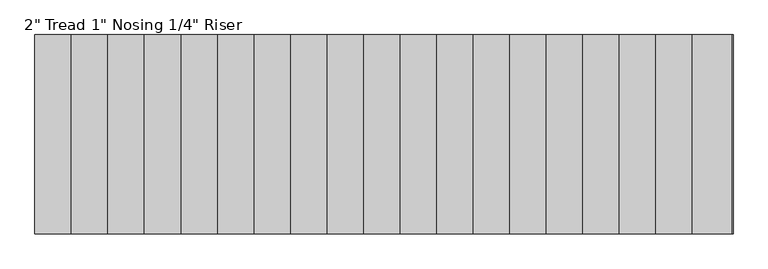
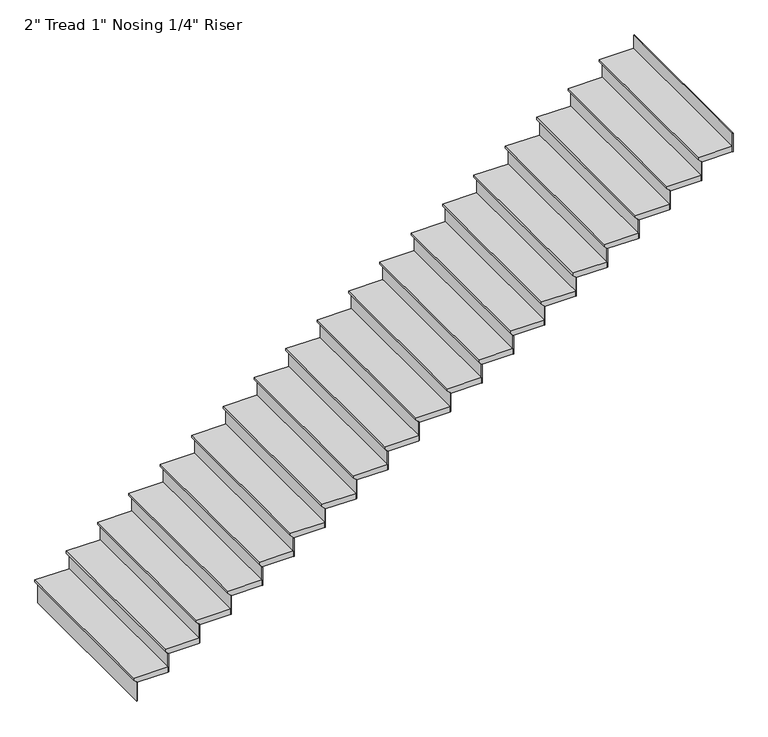
"""IFC4 building model written with IfcOpenShell, lengths in millimetres: stair flight geometry."""

from ifc_helpers import new_model, si_unit, frame, origin, place, context, project, spatial, polyline, outline, extrude, source, transform, mapped, element, save


def stair_flight_59a90187(model_context):
    return source(origin(), model_context, "Body", "SweptSolid", [
        extrude(outline(polyline([(-9415.3463415, 36533.5222188), (-9415.3463415, 36228.7222188), (-9434.3963415, 36228.7222188), (-9459.7963415, 36254.1222188), (-9466.1463415, 36254.1222188), (-9466.1463415, 36533.5222188), (-9415.3463415, 36533.5222188)])), frame((0.0, -13326.4219315, 0.0), z_axis=(0.0, 1.0, 0.0), x_axis=(0.0, 0.0, 1.0)), (0.0, 0.0, 1.0), 1524.0),
        extrude(outline(polyline([(36260.4722188, -13326.4219315), (36254.1222188, -13326.4219315), (36254.1222188, -11802.4219315), (36260.4722188, -11802.4219315), (36260.4722188, -13326.4219315)])), frame((0.0, 0.0, -9640.8487805), z_axis=(0.0, 0.0, 1.0), x_axis=(1.0, 0.0, 0.0)), (0.0, 0.0, 1.0), 174.702439),
        extrude(outline(polyline([(36539.8722188, -13326.4219315), (36533.5222188, -13326.4219315), (36533.5222188, -11802.4219315), (36539.8722188, -11802.4219315), (36539.8722188, -13326.4219315)])), frame((0.0, 0.0, -9466.1463415), z_axis=(0.0, 0.0, 1.0), x_axis=(1.0, 0.0, 0.0)), (0.0, 0.0, 1.0), 174.702439),
        extrude(outline(polyline([(-9240.6439024, 36812.9222188), (-9240.6439024, 36508.1222188), (-9259.6939024, 36508.1222188), (-9285.0939024, 36533.5222188), (-9291.4439024, 36533.5222188), (-9291.4439024, 36812.9222188), (-9240.6439024, 36812.9222188)])), frame((0.0, -13326.4219315, 0.0), z_axis=(0.0, 1.0, 0.0), x_axis=(0.0, 0.0, 1.0)), (0.0, 0.0, 1.0), 1524.0),
        extrude(outline(polyline([(36819.2722188, -13326.4219315), (36812.9222188, -13326.4219315), (36812.9222188, -11802.4219315), (36819.2722188, -11802.4219315), (36819.2722188, -13326.4219315)])), frame((0.0, 0.0, -9291.4439024), z_axis=(0.0, 0.0, 1.0), x_axis=(1.0, 0.0, 0.0)), (0.0, 0.0, 1.0), 174.702439),
        extrude(outline(polyline([(-9065.9414634, 37092.3222188), (-9065.9414634, 36787.5222188), (-9084.9914634, 36787.5222188), (-9110.3914634, 36812.9222188), (-9116.7414634, 36812.9222188), (-9116.7414634, 37092.3222188), (-9065.9414634, 37092.3222188)])), frame((0.0, -13326.4219315, 0.0), z_axis=(0.0, 1.0, 0.0), x_axis=(0.0, 0.0, 1.0)), (0.0, 0.0, 1.0), 1524.0),
        extrude(outline(polyline([(37098.6722188, -13326.4219315), (37092.3222188, -13326.4219315), (37092.3222188, -11802.4219315), (37098.6722188, -11802.4219315), (37098.6722188, -13326.4219315)])), frame((0.0, 0.0, -9116.7414634), z_axis=(0.0, 0.0, 1.0), x_axis=(1.0, 0.0, 0.0)), (0.0, 0.0, 1.0), 174.702439),
        extrude(outline(polyline([(-8891.2390244, 37371.7222188), (-8891.2390244, 37066.9222188), (-8910.2890244, 37066.9222188), (-8935.6890244, 37092.3222188), (-8942.0390244, 37092.3222188), (-8942.0390244, 37371.7222188), (-8891.2390244, 37371.7222188)])), frame((0.0, -13326.4219315, 0.0), z_axis=(0.0, 1.0, 0.0), x_axis=(0.0, 0.0, 1.0)), (0.0, 0.0, 1.0), 1524.0),
        extrude(outline(polyline([(37378.0722188, -13326.4219315), (37371.7222188, -13326.4219315), (37371.7222188, -11802.4219315), (37378.0722188, -11802.4219315), (37378.0722188, -13326.4219315)])), frame((0.0, 0.0, -8942.0390244), z_axis=(0.0, 0.0, 1.0), x_axis=(1.0, 0.0, 0.0)), (0.0, 0.0, 1.0), 174.702439),
        extrude(outline(polyline([(-8716.5365854, 37651.1222188), (-8716.5365854, 37346.3222188), (-8735.5865854, 37346.3222188), (-8760.9865854, 37371.7222188), (-8767.3365854, 37371.7222188), (-8767.3365854, 37651.1222188), (-8716.5365854, 37651.1222188)])), frame((0.0, -13326.4219315, 0.0), z_axis=(0.0, 1.0, 0.0), x_axis=(0.0, 0.0, 1.0)), (0.0, 0.0, 1.0), 1524.0),
        extrude(outline(polyline([(37657.4722188, -13326.4219315), (37651.1222188, -13326.4219315), (37651.1222188, -11802.4219315), (37657.4722188, -11802.4219315), (37657.4722188, -13326.4219315)])), frame((0.0, 0.0, -8767.3365854), z_axis=(0.0, 0.0, 1.0), x_axis=(1.0, 0.0, 0.0)), (0.0, 0.0, 1.0), 174.702439),
        extrude(outline(polyline([(-8541.8341463, 37930.5222188), (-8541.8341463, 37625.7222188), (-8560.8841463, 37625.7222188), (-8586.2841463, 37651.1222188), (-8592.6341463, 37651.1222188), (-8592.6341463, 37930.5222188), (-8541.8341463, 37930.5222188)])), frame((0.0, -13326.4219315, 0.0), z_axis=(0.0, 1.0, 0.0), x_axis=(0.0, 0.0, 1.0)), (0.0, 0.0, 1.0), 1524.0),
        extrude(outline(polyline([(37936.8722188, -13326.4219315), (37930.5222188, -13326.4219315), (37930.5222188, -11802.4219315), (37936.8722188, -11802.4219315), (37936.8722188, -13326.4219315)])), frame((0.0, 0.0, -8592.6341463), z_axis=(0.0, 0.0, 1.0), x_axis=(1.0, 0.0, 0.0)), (0.0, 0.0, 1.0), 174.702439),
        extrude(outline(polyline([(-8367.1317073, 38209.9222188), (-8367.1317073, 37905.1222188), (-8386.1817073, 37905.1222188), (-8411.5817073, 37930.5222188), (-8417.9317073, 37930.5222188), (-8417.9317073, 38209.9222188), (-8367.1317073, 38209.9222188)])), frame((0.0, -13326.4219315, 0.0), z_axis=(0.0, 1.0, 0.0), x_axis=(0.0, 0.0, 1.0)), (0.0, 0.0, 1.0), 1524.0),
        extrude(outline(polyline([(38216.2722188, -13326.4219315), (38209.9222188, -13326.4219315), (38209.9222188, -11802.4219315), (38216.2722188, -11802.4219315), (38216.2722188, -13326.4219315)])), frame((0.0, 0.0, -8417.9317073), z_axis=(0.0, 0.0, 1.0), x_axis=(1.0, 0.0, 0.0)), (0.0, 0.0, 1.0), 174.702439),
        extrude(outline(polyline([(-8192.4292683, 38489.3222188), (-8192.4292683, 38184.5222188), (-8211.4792683, 38184.5222188), (-8236.8792683, 38209.9222188), (-8243.2292683, 38209.9222188), (-8243.2292683, 38489.3222188), (-8192.4292683, 38489.3222188)])), frame((0.0, -13326.4219315, 0.0), z_axis=(0.0, 1.0, 0.0), x_axis=(0.0, 0.0, 1.0)), (0.0, 0.0, 1.0), 1524.0),
        extrude(outline(polyline([(38495.6722188, -13326.4219315), (38489.3222188, -13326.4219315), (38489.3222188, -11802.4219315), (38495.6722188, -11802.4219315), (38495.6722188, -13326.4219315)])), frame((0.0, 0.0, -8243.2292683), z_axis=(0.0, 0.0, 1.0), x_axis=(1.0, 0.0, 0.0)), (0.0, 0.0, 1.0), 174.702439),
        extrude(outline(polyline([(-8017.7268293, 38768.7222188), (-8017.7268293, 38463.9222188), (-8036.7768293, 38463.9222188), (-8062.1768293, 38489.3222188), (-8068.5268293, 38489.3222188), (-8068.5268293, 38768.7222188), (-8017.7268293, 38768.7222188)])), frame((0.0, -13326.4219315, 0.0), z_axis=(0.0, 1.0, 0.0), x_axis=(0.0, 0.0, 1.0)), (0.0, 0.0, 1.0), 1524.0),
        extrude(outline(polyline([(38775.0722188, -13326.4219315), (38768.7222188, -13326.4219315), (38768.7222188, -11802.4219315), (38775.0722188, -11802.4219315), (38775.0722188, -13326.4219315)])), frame((0.0, 0.0, -8068.5268293), z_axis=(0.0, 0.0, 1.0), x_axis=(1.0, 0.0, 0.0)), (0.0, 0.0, 1.0), 174.702439),
        extrude(outline(polyline([(-7843.0243902, 39048.1222188), (-7843.0243902, 38743.3222188), (-7862.0743902, 38743.3222188), (-7887.4743902, 38768.7222188), (-7893.8243902, 38768.7222188), (-7893.8243902, 39048.1222188), (-7843.0243902, 39048.1222188)])), frame((0.0, -13326.4219315, 0.0), z_axis=(0.0, 1.0, 0.0), x_axis=(0.0, 0.0, 1.0)), (0.0, 0.0, 1.0), 1524.0),
        extrude(outline(polyline([(39054.4722188, -13326.4219315), (39048.1222188, -13326.4219315), (39048.1222188, -11802.4219315), (39054.4722188, -11802.4219315), (39054.4722188, -13326.4219315)])), frame((0.0, 0.0, -7893.8243902), z_axis=(0.0, 0.0, 1.0), x_axis=(1.0, 0.0, 0.0)), (0.0, 0.0, 1.0), 174.702439),
        extrude(outline(polyline([(-7668.3219512, 39327.5222188), (-7668.3219512, 39022.7222188), (-7687.3719512, 39022.7222188), (-7712.7719512, 39048.1222188), (-7719.1219512, 39048.1222188), (-7719.1219512, 39327.5222188), (-7668.3219512, 39327.5222188)])), frame((0.0, -13326.4219315, 0.0), z_axis=(0.0, 1.0, 0.0), x_axis=(0.0, 0.0, 1.0)), (0.0, 0.0, 1.0), 1524.0),
        extrude(outline(polyline([(39333.8722188, -13326.4219315), (39327.5222188, -13326.4219315), (39327.5222188, -11802.4219315), (39333.8722188, -11802.4219315), (39333.8722188, -13326.4219315)])), frame((0.0, 0.0, -7719.1219512), z_axis=(0.0, 0.0, 1.0), x_axis=(1.0, 0.0, 0.0)), (0.0, 0.0, 1.0), 174.702439),
        extrude(outline(polyline([(-7493.6195122, 39606.9222188), (-7493.6195122, 39302.1222188), (-7512.6695122, 39302.1222188), (-7538.0695122, 39327.5222188), (-7544.4195122, 39327.5222188), (-7544.4195122, 39606.9222188), (-7493.6195122, 39606.9222188)])), frame((0.0, -13326.4219315, 0.0), z_axis=(0.0, 1.0, 0.0), x_axis=(0.0, 0.0, 1.0)), (0.0, 0.0, 1.0), 1524.0),
        extrude(outline(polyline([(39613.2722188, -13326.4219315), (39606.9222188, -13326.4219315), (39606.9222188, -11802.4219315), (39613.2722188, -11802.4219315), (39613.2722188, -13326.4219315)])), frame((0.0, 0.0, -7544.4195122), z_axis=(0.0, 0.0, 1.0), x_axis=(1.0, 0.0, 0.0)), (0.0, 0.0, 1.0), 174.702439),
        extrude(outline(polyline([(-7318.9170732, 39886.3222188), (-7318.9170732, 39581.5222188), (-7337.9670732, 39581.5222188), (-7363.3670732, 39606.9222188), (-7369.7170732, 39606.9222188), (-7369.7170732, 39886.3222188), (-7318.9170732, 39886.3222188)])), frame((0.0, -13326.4219315, 0.0), z_axis=(0.0, 1.0, 0.0), x_axis=(0.0, 0.0, 1.0)), (0.0, 0.0, 1.0), 1524.0),
        extrude(outline(polyline([(39892.6722188, -13326.4219315), (39886.3222188, -13326.4219315), (39886.3222188, -11802.4219315), (39892.6722188, -11802.4219315), (39892.6722188, -13326.4219315)])), frame((0.0, 0.0, -7369.7170732), z_axis=(0.0, 0.0, 1.0), x_axis=(1.0, 0.0, 0.0)), (0.0, 0.0, 1.0), 174.702439),
        extrude(outline(polyline([(-7144.2146341, 40165.7222188), (-7144.2146341, 39860.9222188), (-7163.2646341, 39860.9222188), (-7188.6646341, 39886.3222188), (-7195.0146341, 39886.3222188), (-7195.0146341, 40165.7222188), (-7144.2146341, 40165.7222188)])), frame((0.0, -13326.4219315, 0.0), z_axis=(0.0, 1.0, 0.0), x_axis=(0.0, 0.0, 1.0)), (0.0, 0.0, 1.0), 1524.0),
        extrude(outline(polyline([(40172.0722188, -13326.4219315), (40165.7222188, -13326.4219315), (40165.7222188, -11802.4219315), (40172.0722188, -11802.4219315), (40172.0722188, -13326.4219315)])), frame((0.0, 0.0, -7195.0146341), z_axis=(0.0, 0.0, 1.0), x_axis=(1.0, 0.0, 0.0)), (0.0, 0.0, 1.0), 174.702439),
        extrude(outline(polyline([(-6969.5121951, 40445.1222188), (-6969.5121951, 40140.3222188), (-6988.5621951, 40140.3222188), (-7013.9621951, 40165.7222188), (-7020.3121951, 40165.7222188), (-7020.3121951, 40445.1222188), (-6969.5121951, 40445.1222188)])), frame((0.0, -13326.4219315, 0.0), z_axis=(0.0, 1.0, 0.0), x_axis=(0.0, 0.0, 1.0)), (0.0, 0.0, 1.0), 1524.0),
        extrude(outline(polyline([(40451.4722188, -13326.4219315), (40445.1222188, -13326.4219315), (40445.1222188, -11802.4219315), (40451.4722188, -11802.4219315), (40451.4722188, -13326.4219315)])), frame((0.0, 0.0, -7020.3121951), z_axis=(0.0, 0.0, 1.0), x_axis=(1.0, 0.0, 0.0)), (0.0, 0.0, 1.0), 174.702439),
        extrude(outline(polyline([(-6794.8097561, 40724.5222188), (-6794.8097561, 40419.7222188), (-6813.8597561, 40419.7222188), (-6839.2597561, 40445.1222188), (-6845.6097561, 40445.1222188), (-6845.6097561, 40724.5222188), (-6794.8097561, 40724.5222188)])), frame((0.0, -13326.4219315, 0.0), z_axis=(0.0, 1.0, 0.0), x_axis=(0.0, 0.0, 1.0)), (0.0, 0.0, 1.0), 1524.0),
        extrude(outline(polyline([(40730.8722188, -13326.4219315), (40724.5222188, -13326.4219315), (40724.5222188, -11802.4219315), (40730.8722188, -11802.4219315), (40730.8722188, -13326.4219315)])), frame((0.0, 0.0, -6845.6097561), z_axis=(0.0, 0.0, 1.0), x_axis=(1.0, 0.0, 0.0)), (0.0, 0.0, 1.0), 174.702439),
        extrude(outline(polyline([(-6620.1073171, 41003.9222188), (-6620.1073171, 40699.1222188), (-6639.1573171, 40699.1222188), (-6664.5573171, 40724.5222188), (-6670.9073171, 40724.5222188), (-6670.9073171, 41003.9222188), (-6620.1073171, 41003.9222188)])), frame((0.0, -13326.4219315, 0.0), z_axis=(0.0, 1.0, 0.0), x_axis=(0.0, 0.0, 1.0)), (0.0, 0.0, 1.0), 1524.0),
        extrude(outline(polyline([(41010.2722188, -13326.4219315), (41003.9222188, -13326.4219315), (41003.9222188, -11802.4219315), (41010.2722188, -11802.4219315), (41010.2722188, -13326.4219315)])), frame((0.0, 0.0, -6670.9073171), z_axis=(0.0, 0.0, 1.0), x_axis=(1.0, 0.0, 0.0)), (0.0, 0.0, 1.0), 174.702439),
        extrude(outline(polyline([(-6445.404878, 41283.3222188), (-6445.404878, 40978.5222188), (-6464.454878, 40978.5222188), (-6489.854878, 41003.9222188), (-6496.204878, 41003.9222188), (-6496.204878, 41283.3222188), (-6445.404878, 41283.3222188)])), frame((0.0, -13326.4219315, 0.0), z_axis=(0.0, 1.0, 0.0), x_axis=(0.0, 0.0, 1.0)), (0.0, 0.0, 1.0), 1524.0),
        extrude(outline(polyline([(41289.6722188, -13326.4219315), (41283.3222188, -13326.4219315), (41283.3222188, -11802.4219315), (41289.6722188, -11802.4219315), (41289.6722188, -13326.4219315)])), frame((0.0, 0.0, -6496.204878), z_axis=(0.0, 0.0, 1.0), x_axis=(1.0, 0.0, 0.0)), (0.0, 0.0, 1.0), 174.702439),
        extrude(outline(polyline([(41569.0722188, -13326.4219315), (41562.7222188, -13326.4219315), (41562.7222188, -11802.4219315), (41569.0722188, -11802.4219315), (41569.0722188, -13326.4219315)])), frame((0.0, 0.0, -6321.502439), z_axis=(0.0, 0.0, 1.0), x_axis=(1.0, 0.0, 0.0)), (0.0, 0.0, 1.0), 174.702439),
        extrude(outline(polyline([(-6270.702439, 41562.7222188), (-6270.702439, 41257.9222188), (-6289.752439, 41257.9222188), (-6315.152439, 41283.3222188), (-6321.502439, 41283.3222188), (-6321.502439, 41562.7222188), (-6270.702439, 41562.7222188)])), frame((0.0, -13326.4219315, 0.0), z_axis=(0.0, 1.0, 0.0), x_axis=(0.0, 0.0, 1.0)), (0.0, 0.0, 1.0), 1524.0),
    ])


if __name__ == "__main__":
    model = new_model("IFC4")
    model_context = context("Model", 3, world=origin())
    ifc_project = project(units=[si_unit("LENGTHUNIT", "METRE", prefix="MILLI")], contexts=[model_context])
    site = spatial("IfcSite", under=ifc_project)
    building = spatial("IfcBuilding", under=site)
    placement = place(None, origin())
    stair_flight_shape = stair_flight_59a90187(model_context)
    element("IfcStairFlight", 1, ObjectType="2\" Tread 1\" Nosing 1/4\" Riser", at=placement, inside=building, context=model_context, shape_type="MappedRepresentation", body=[
        mapped(stair_flight_shape, transform((0.0, 0.0, 0.0), x_axis=(1.0, 0.0, 0.0), y_axis=(0.0, 1.0, 0.0), z_axis=(0.0, 0.0, 1.0))),
    ])
    save(model, "model.ifc")
